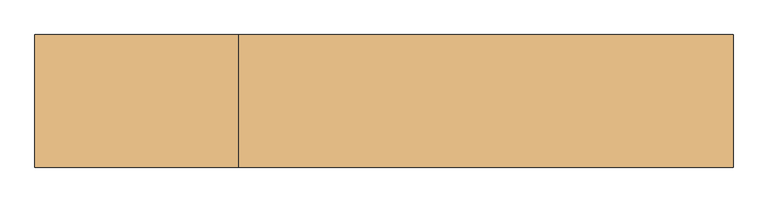
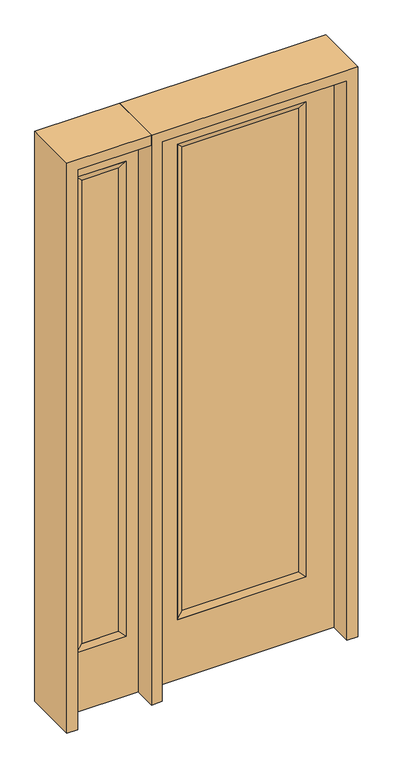
"""IFC4 building model written with IfcOpenShell, lengths in millimetres: door geometry."""

from ifc_helpers import new_model, si_unit, frame, origin, place, context, project, spatial, polyline, outline, extrude, faceted_brep, source, transform, mapped, element, save


def door_a65ebdea(model_context):
    return source(origin(), model_context, "Body", "SolidModel", [
        extrude(outline(polyline([(240.1824, -12.7039749), (-240.1824, -12.7039749), (-240.1824, 14.2875), (240.1824, 14.2875), (240.1824, -12.7039749)])), frame((0.0, 0.0, 285.75), z_axis=(0.0, 0.0, 1.0), x_axis=(1.0, 0.0, 0.0)), (0.0, 0.0, 1.0), 2019.3),
        faceted_brep([(240.1824, 14.2875, 2305.05), (265.5824, 22.225, 2330.45), (265.5824, 22.225, 260.35), (240.1824, 14.2875, 285.75), (265.5824, -22.225, 2330.45), (265.5824, -22.225, 260.35), (-265.5824, 22.225, 260.35), (-240.1824, 14.2875, 285.75), (240.1824, -12.7039749, 2305.05), (240.1824, -12.7039749, 285.75), (-240.1824, -12.7039749, 285.75), (-265.5824, -22.225, 260.35), (-265.5824, 22.225, 2330.45), (-240.1824, 14.2875, 2305.05), (-240.1824, -12.7039749, 2305.05), (-265.5824, -22.225, 2330.45)], [[[0, 1, 2, 3]], [[1, 4, 5, 2]], [[3, 2, 6, 7]], [[8, 0, 3, 9]], [[9, 3, 7, 10]], [[4, 8, 9, 5]], [[5, 9, 10, 11]], [[2, 5, 11, 6]], [[7, 6, 12, 13]], [[10, 7, 13, 14]], [[11, 10, 14, 15]], [[6, 11, 15, 12]], [[13, 12, 1, 0]], [[14, 13, 0, 8]], [[15, 14, 8, 4]], [[12, 15, 4, 1]]]),
        extrude(outline(polyline([(0.0, -381.0), (0.0, 381.0), (2438.4, 381.0), (2438.4, -381.0), (0.0, -381.0)]), holes=[polyline([(260.35, -265.5824), (2330.45, -265.5824), (2330.45, 265.5824), (260.35, 265.5824), (260.35, -265.5824)])]), frame((0.0, -22.225, 0.0), z_axis=(0.0, 1.0, 0.0), x_axis=(0.0, 0.0, 1.0)), (0.0, 0.0, 1.0), 44.45),
        faceted_brep([(-476.25, 20.6375, 2330.45), (-476.25, -20.6375, 2330.45), (-476.25, -20.6375, 260.35), (-476.25, 20.6375, 260.35), (-501.65, -12.7, 2305.05), (-501.65, -12.7, 285.75), (-679.45, -20.6375, 260.35), (-679.45, 20.6375, 260.35), (-501.65, 12.7, 2305.05), (-501.65, 12.7, 285.75), (-654.05, 12.7, 285.75), (-654.05, -12.7, 285.75), (-679.45, -20.6375, 2330.45), (-679.45, 20.6375, 2330.45), (-654.05, 12.7, 2305.05), (-654.05, -12.7, 2305.05)], [[[0, 1, 2, 3]], [[1, 4, 5, 2]], [[3, 2, 6, 7]], [[8, 0, 3, 9]], [[9, 3, 7, 10]], [[4, 8, 9, 5]], [[5, 9, 10, 11]], [[2, 5, 11, 6]], [[7, 6, 12, 13]], [[10, 7, 13, 14]], [[11, 10, 14, 15]], [[6, 11, 15, 12]], [[13, 12, 1, 0]], [[14, 13, 0, 8]], [[15, 14, 8, 4]], [[12, 15, 4, 1]]]),
        extrude(outline(polyline([(0.0, -730.25), (0.0, -425.45), (2438.4, -425.45), (2438.4, -730.25), (0.0, -730.25)]), holes=[polyline([(2330.45, -476.25), (260.35, -476.25), (260.35, -679.45), (2330.45, -679.45), (2330.45, -476.25)])]), frame((0.0, -20.6375, 0.0), z_axis=(0.0, 1.0, 0.0), x_axis=(0.0, 0.0, 1.0)), (0.0, 0.0, 1.0), 41.275),
        extrude(outline(polyline([(-501.65, -12.7), (-654.05, -12.7), (-654.05, 12.7), (-501.65, 12.7), (-501.65, -12.7)])), frame((0.0, 0.0, 284.95625), z_axis=(0.0, 0.0, 1.0), x_axis=(1.0, 0.0, 0.0)), (0.0, 0.0, 1.0), 2020.09375),
        extrude(outline(polyline([(2438.4, -425.45), (2482.85, -425.45), (2482.85, -774.7), (0.0, -774.7), (0.0, -730.25), (2438.4, -730.25), (2438.4, -425.45)])), frame((0.0, -114.3, 0.0), z_axis=(0.0, 1.0, 0.0), x_axis=(0.0, 0.0, 1.0)), (0.0, 0.0, 1.0), 228.6),
        extrude(outline(polyline([(2482.85, -425.45), (0.0, -425.45), (0.0, -381.0), (2438.4, -381.0), (2438.4, 381.0), (0.0, 381.0), (0.0, 425.45), (2482.85, 425.45), (2482.85, -425.45)])), frame((0.0, -114.3, 0.0), z_axis=(0.0, 1.0, 0.0), x_axis=(0.0, 0.0, 1.0)), (0.0, 0.0, 1.0), 228.6),
    ])


if __name__ == "__main__":
    model = new_model("IFC4")
    model_context = context("Model", 3, world=origin())
    ifc_project = project(units=[si_unit("LENGTHUNIT", "METRE", prefix="MILLI")], contexts=[model_context])
    site = spatial("IfcSite", under=ifc_project)
    building = spatial("IfcBuilding", under=site)
    placement = place(None, origin())
    door_shape = door_a65ebdea(model_context)
    element("IfcDoor", 1, at=placement, inside=building, context=model_context, shape_type="MappedRepresentation", body=[
        mapped(door_shape, transform((0.0, 0.0, 0.0), x_axis=(1.0, 0.0, 0.0), y_axis=(0.0, 1.0, 0.0), z_axis=(0.0, 0.0, 1.0))),
    ])
    save(model, "model.ifc")
